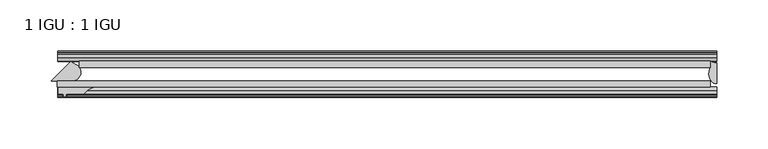
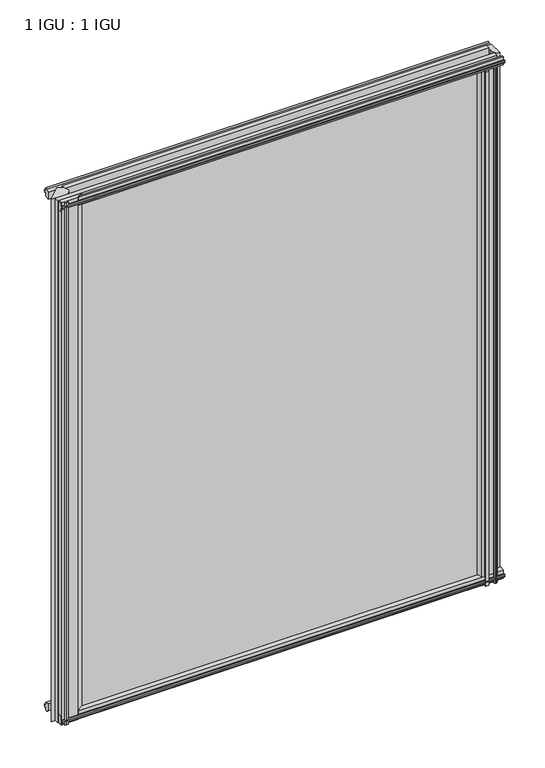
"""IFC4 building model written with IfcOpenShell, lengths in millimetres: plate geometry, 1 IGU : 1 IGU."""

from ifc_helpers import new_model, si_unit, point, frame, frame_2d, origin, place, context, project, spatial, polyline, circle_curve, ellipse_curve, trimmed, segment, composite_curve, outline, extrude, source, transform, mapped, element, save
from ifc_brep_helpers import plane_surface, cylinder_surface, revolved_surface, extruded_surface, advanced_brep


def plate_1_igu_1_igu_17f81494(model_context):
    return source(origin(), model_context, "Body", "SolidModel", [
        extrude(outline(polyline([(-321.2703124, -38.6468937), (314.3249999, -38.6468937), (314.3249999, -44.9460938), (-321.2703124, -44.9460938), (-321.2703124, -38.6468937)])), frame((0.0, 0.0, -12.7), z_axis=(0.0, 0.0, 1.0), x_axis=(1.0, 0.0, 0.0)), (0.0, 0.0, 1.0), 800.0872996),
        extrude(outline(polyline([(-299.9382812, -19.5460937), (314.3249999, -19.5460937), (314.3249999, -25.8960938), (-299.9382812, -25.8960938), (-299.9382812, -19.5460937)])), frame((0.0, 0.0, -12.7), z_axis=(0.0, 0.0, 1.0), x_axis=(1.0, 0.0, 0.0)), (0.0, 0.0, 1.0), 800.0872996),
        extrude(outline(composite_curve([segment(trimmed(circle_curve(frame_2d((-306.7623353, -30.324123)), 8.3601973), [point((-300.5949226, -24.6800183))], [point((-305.9721541, -38.6468937))], False, "CARTESIAN"), True, "CONTINUOUS"), segment(polyline([(-305.9721541, -38.6468937), (-327.0757999, -38.6468937), (-308.3468028, -19.9178967), (-303.54423, -22.8189613)]), True, "CONTINUOUS"), segment(trimmed(circle_curve(frame_2d((-305.8354261, -29.7174148)), 7.2689917), [point((-303.54423, -22.8189613))], [point((-300.5949226, -24.6800183))], False, "CARTESIAN"), True, "CONTINUOUS")], self_intersect=False)), frame((0.0, 0.0, -12.7), z_axis=(0.0, 0.0, 1.0), x_axis=(1.0, 0.0, 0.0)), (0.0, 0.0, 1.0), 800.0872996),
        advanced_brep(
        [(320.6749999, -21.1709383, -12.4587), (320.6749999, -41.5384061, -12.4587), (313.1526628, -32.2460938, -12.4587), (314.3249999, -25.8452938, -12.4587), (314.3249999, -19.5460938, -12.4587), (320.6749999, -21.1709383, 787.3872996), (314.3249999, -19.5460938, 787.3872996), (314.3249999, -25.8452938, 787.3872996), (313.1526628, -32.2460938, 787.3872996), (320.6749999, -41.5384061, 787.3872996)],
        [
            (0, 1),
            (1, 2, ellipse_curve(frame((320.6749999, -32.2460938, -12.4587), z_axis=(0.0, 0.0, -1.0), x_axis=(0.0, -1.0, 0.0)), 9.2923124, 7.5223371)),
            (2, 3, circle_curve(frame((331.2125763, -32.2460938, -12.4587), z_axis=(0.0, 0.0, -1.0), x_axis=(1.0, 0.0, 0.0)), 18.0599135)),
            (3, 4),
            (4, 0, circle_curve(frame((320.6749999, -7.950406, -12.4587), z_axis=(0.0, 0.0, 1.0), x_axis=(1.0, 0.0, 0.0)), 13.2205323)),
            (5, 6, circle_curve(frame((320.6749999, -7.950406, 787.3872996), z_axis=(0.0, 0.0, -1.0), x_axis=(1.0, 0.0, 0.0)), 13.2205323)),
            (6, 7),
            (7, 8, circle_curve(frame((331.2125763, -32.2460938, 787.3872996), z_axis=(0.0, 0.0, 1.0), x_axis=(1.0, 0.0, 0.0)), 18.0599135)),
            (8, 9, ellipse_curve(frame((320.6749999, -32.2460938, 787.3872996), z_axis=(0.0, 0.0, 1.0), x_axis=(0.0, -1.0, 0.0)), 9.2923124, 7.5223371)),
            (9, 5),
            (1, 9),
            (8, 2),
            (7, 3),
            (6, 4),
            (5, 0),
        ],
        [
            plane_surface(frame((320.6749999, -13.1960938, -12.4587), z_axis=(0.0, 0.0, -1.0), x_axis=(0.0, 1.0, 0.0))),
            plane_surface(frame((320.6749999, -13.1960938, 787.3872996), z_axis=(0.0, 0.0, 1.0), x_axis=(0.0, 1.0, 0.0))),
            extruded_surface(trimmed(ellipse_curve(frame((320.6749999, -32.2460938, 787.3872996), z_axis=(0.0, 0.0, -1.0), x_axis=(0.0, -1.0, 0.0)), 9.2923124, 7.5223371), [point((320.6749999, -41.5384061, 787.3872996))], [point((313.1526628, -32.2460938, 787.3872996))], True, "CARTESIAN"), (0.0, 0.0, -799.8459996), 799.8459996),
            cylinder_surface(frame((331.2125763, -32.2460938, -12.4587), z_axis=(0.0, 0.0, -1.0), x_axis=(1.0, 0.0, 0.0)), 18.0599135),
            plane_surface(frame((314.3249999, -25.8452938, -12.4587), z_axis=(-1.0, 0.0, 0.0), x_axis=(0.0, 0.0, 1.0))),
            revolved_surface(polyline([(333.8955322, -7.950406, 787.3872996), (333.8955322, -7.950406, -12.4587)]), (320.6749999, -7.950406, -12.4587), (0.0, 0.0, 1.0)),
            plane_surface(frame((320.6749999, -21.1709383, -12.4587), z_axis=(1.0, 0.0, 0.0), x_axis=(0.0, 0.0, 1.0))),
        ],
        [
            (0, [[1, 2, 3, 4, 5]]),
            (1, [[6, 7, 8, 9, 10]]),
            (2, [[-2, 11, -9, 12]]),
            (3, [[-3, -12, -8, 13]]),
            (4, [[-4, -13, -7, 14]]),
            (5, [[-5, -14, -6, 15]]),
            (6, [[-1, -15, -10, -11]]),
        ],
    ),
        extrude(outline(composite_curve([segment(polyline([(-320.3656597, -44.9460937), (-285.0054921, -44.9460937)]), True, "CONTINUOUS"), segment(trimmed(circle_curve(frame_2d((-281.8166559, -61.7346627)), 17.0887309), [point((-285.0054921, -44.9460937))], [point((-295.3466597, -51.2960937))], True, "CARTESIAN"), True, "CONTINUOUS"), segment(polyline([(-295.3466597, -51.2960937), (-312.7456597, -51.2960937), (-313.0631597, -53.4006957), (-311.8445538, -53.0741712), (-311.6407597, -53.8347412), (-314.0156597, -54.4710937), (-316.3905597, -53.8347412), (-316.1867656, -53.0741712), (-314.9681597, -53.4006957), (-315.2856597, -51.2960937), (-320.3656597, -51.2960937), (-320.3656597, -44.9460937)]), True, "CONTINUOUS")], self_intersect=False)), frame((0.0, 0.0, -12.4587), z_axis=(0.0, 0.0, 1.0), x_axis=(1.0, 0.0, 0.0)), (0.0, 0.0, 1.0), 799.6046997),
        extrude(outline(polyline([(-44.9460937, 1.7177181), (-44.9460937, -9.1036578), (-48.3496937, -11.938), (-51.2960937, -11.938), (-51.2960937, -7.493), (-53.6762907, -7.112), (-53.2163575, -8.5275291), (-54.0175717, -8.5275291), (-54.7250937, -6.35), (-54.0175717, -4.1724709), (-53.2163575, -4.1724709), (-53.6762907, -5.588), (-51.2960937, -5.207), (-51.2960937, 0.0), (-44.9460937, 1.7177181)])), frame((-320.6749999, 0.0, 0.0), z_axis=(1.0, 0.0, 0.0), x_axis=(0.0, 1.0, 0.0)), (0.0, 0.0, 1.0), 641.3499998),
        extrude(outline(polyline([(-13.1960937, -12.4587), (-16.1424937, -12.4587), (-19.5460937, -9.6243578), (-19.5460937, 1.1970181), (-13.1960937, -0.5207), (-13.1960937, -5.7277), (-10.8158968, -6.1087), (-11.27583, -4.6931709), (-10.4746158, -4.6931709), (-9.7670937, -6.8707), (-10.4746158, -9.0482291), (-11.27583, -9.0482291), (-10.8158968, -7.6327), (-13.1960937, -8.0137), (-13.1960937, -12.4587)])), frame((-320.6749999, 0.0, 0.0), z_axis=(1.0, 0.0, 0.0), x_axis=(0.0, 1.0, 0.0)), (0.0, 0.0, 1.0), 641.3499998),
        extrude(outline(polyline([(-51.2960937, 786.6252996), (-48.3496937, 786.6252996), (-44.9460937, 783.7909574), (-44.9460937, 772.9695815), (-51.2960937, 774.6872996), (-51.2960937, 779.8942996), (-53.6762907, 780.2752996), (-53.2163575, 778.8597705), (-54.0175717, 778.8597705), (-54.7250937, 781.0372996), (-54.0175717, 783.2148286), (-53.2163575, 783.2148286), (-53.6762907, 781.7992996), (-51.2960937, 782.1802996), (-51.2960937, 786.6252996)])), frame((-320.6749999, 0.0, 0.0), z_axis=(1.0, 0.0, 0.0), x_axis=(0.0, 1.0, 0.0)), (0.0, 0.0, 1.0), 641.3499998),
        extrude(outline(polyline([(-19.5460937, 773.4902815), (-19.5460937, 784.3116574), (-16.1424937, 787.1459996), (-13.1960937, 787.1459996), (-13.1960937, 782.7009996), (-10.8158968, 782.3199996), (-11.27583, 783.7355286), (-10.4746158, 783.7355286), (-9.7670937, 781.5579996), (-10.4746158, 779.3804705), (-11.27583, 779.3804705), (-10.8158968, 780.7959996), (-13.1960937, 780.4149996), (-13.1960937, 775.2079996), (-19.5460937, 773.4902815)])), frame((-320.6749999, 0.0, 0.0), z_axis=(1.0, 0.0, 0.0), x_axis=(0.0, 1.0, 0.0)), (0.0, 0.0, 1.0), 641.3499998),
        extrude(outline(composite_curve([segment(polyline([(311.1500001, -44.9460938), (311.1500001, -51.2960938), (309.4990001, -51.2960938), (309.4990001, -52.9470938), (310.5766308, -52.9470938)]), True, "CONTINUOUS"), segment(trimmed(circle_curve(frame_2d((309.4990001, -52.9470938)), 1.0776307), [point((310.5766308, -52.9470938))], [point((310.2610001, -53.7090938))], False, "CARTESIAN"), True, "CONTINUOUS"), segment(polyline([(310.2610001, -53.7090938), (308.5217077, -54.8194621)]), True, "CONTINUOUS"), segment(trimmed(circle_curve(frame_2d((307.9750001, -53.9630938)), 1.016), [point((308.5217077, -54.8194621))], [point((307.4282925, -54.8194621))], False, "CARTESIAN"), True, "CONTINUOUS"), segment(polyline([(307.4282925, -54.8194621), (305.6890001, -53.7090938)]), True, "CONTINUOUS"), segment(trimmed(circle_curve(frame_2d((306.4510001, -52.9470938)), 1.0776307), [point((305.6890001, -53.7090938))], [point((305.3733693, -52.9470938))], False, "CARTESIAN"), True, "CONTINUOUS"), segment(polyline([(305.3733693, -52.9470938), (306.4510001, -52.9470938), (306.4510001, -51.2960938), (297.3832001, -51.2960938)]), True, "CONTINUOUS"), segment(trimmed(circle_curve(frame_2d((297.3832001, -51.7532938)), 0.4572), [point((297.3832001, -51.2960938))], [point((297.0443822, -52.0602698))], True, "CARTESIAN"), True, "CONTINUOUS"), segment(trimmed(circle_curve(frame_2d((295.2750001, -53.663367)), 2.3876), [point((297.0443822, -52.0602698))], [point((297.3456431, -54.8520938))], False, "CARTESIAN"), True, "CONTINUOUS"), segment(polyline([(297.3456431, -54.8520938), (293.2043571, -54.8520938)]), True, "CONTINUOUS"), segment(trimmed(circle_curve(frame_2d((295.2750001, -53.663367)), 2.3876), [point((293.2043571, -54.8520938))], [point((293.5056179, -52.0602698))], False, "CARTESIAN"), True, "CONTINUOUS"), segment(trimmed(circle_curve(frame_2d((293.1668001, -51.7532938)), 0.4572), [point((293.5056179, -52.0602698))], [point((293.1668001, -51.2960938))], True, "CARTESIAN"), True, "CONTINUOUS"), segment(polyline([(293.1668001, -51.2960938), (288.9250001, -51.2960938)]), True, "CONTINUOUS"), segment(trimmed(circle_curve(frame_2d((279.9090686, -51.9750196)), 9.0414579), [point((288.9250001, -51.2960938))], [point((285.5960855, -44.9460938))], True, "CARTESIAN"), True, "CONTINUOUS"), segment(polyline([(285.5960855, -44.9460938), (311.1500001, -44.9460938)]), True, "CONTINUOUS")], self_intersect=False)), frame((0.0, 0.0, -12.7), z_axis=(0.0, 0.0, 1.0), x_axis=(1.0, 0.0, 0.0)), (0.0, 0.0, 1.0), 787.3872996),
    ])


if __name__ == "__main__":
    model = new_model("IFC4")
    model_context = context("Model", 3, world=origin())
    ifc_project = project(units=[si_unit("LENGTHUNIT", "METRE", prefix="MILLI")], contexts=[model_context])
    site = spatial("IfcSite", under=ifc_project)
    building = spatial("IfcBuilding", under=site)
    placement = place(None, origin())
    plate_1_igu_1_igu_shape = plate_1_igu_1_igu_17f81494(model_context)
    element("IfcPlate", 1, ObjectType="1 IGU : 1 IGU", at=placement, inside=building, context=model_context, shape_type="MappedRepresentation", body=[
        mapped(plate_1_igu_1_igu_shape, transform((0.0, 0.0, 0.0), x_axis=(1.0, 0.0, 0.0), y_axis=(0.0, 1.0, 0.0), z_axis=(0.0, 0.0, 1.0))),
    ])
    save(model, "model.ifc")
